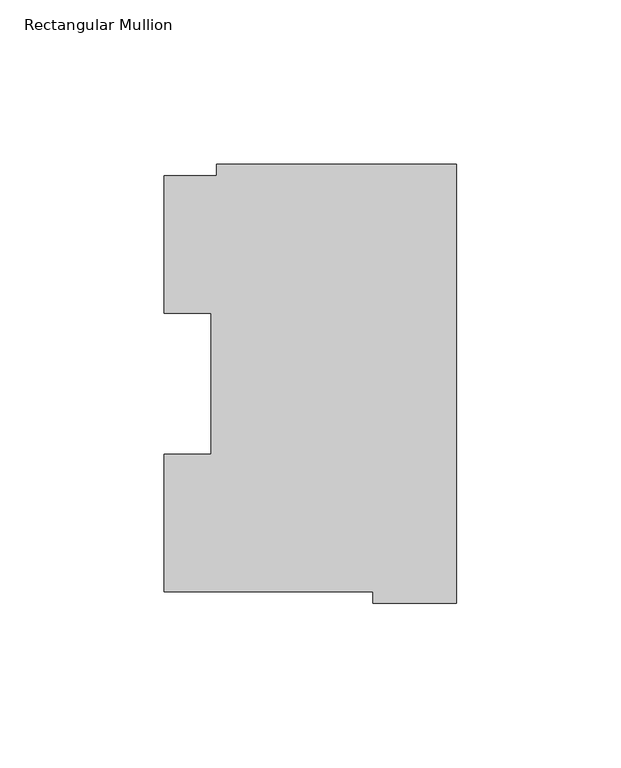
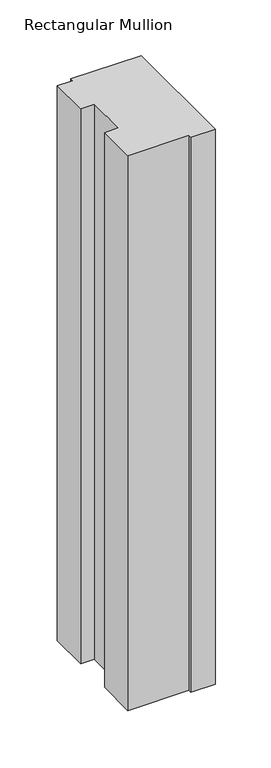
"""IFC4 building model written with IfcOpenShell, lengths in millimetres: member geometry, Rectangular Mullion."""

import ifcopenshell
import ifcopenshell.guid

model = None  # the IFC model being written
_history = None  # IfcOwnerHistory: only IFC2X3 demands one
_inside = {}  # id of a spatial element -> (the spatial element, [elements in it])
_under = {}  # id of a project, library or spatial element -> (it, [spatial elements below it])
_declared = {}  # id of a project -> (the project, [libraries it declares])
_typed = {}  # id of a type object -> (the type object, [elements of that type])
_made_of = {}  # id of a material, layer set ... -> (it, [elements and type objects made of it])


def new_model(schema):
    """Start an empty IFC model of exactly this schema.

    Asked for "IFC4X3", IfcOpenShell would pick the latest addendum, in which some entities
    have other attributes; the version numbers below select the first issue.
    IFC2X3 requires an IfcOwnerHistory on every rooted entity: one is made here for all.
    """
    global model, _history
    if schema == "IFC4X3":
        model = ifcopenshell.file(schema_version=(4, 3, 0, 0))
    else:
        model = ifcopenshell.file(schema=schema)
    _inside.clear()
    _under.clear()
    _declared.clear()
    _typed.clear()
    _made_of.clear()
    _history = None
    if model.schema == "IFC2X3":
        org = make("IfcOrganization", Name="unknown")
        user = make(
            "IfcPersonAndOrganization",
            ThePerson=make("IfcPerson", FamilyName="unknown"),
            TheOrganization=org,
        )
        app = make(
            "IfcApplication",
            ApplicationDeveloper=org,
            Version="unknown",
            ApplicationFullName="unknown",
            ApplicationIdentifier="unknown",
        )
        _history = make(
            "IfcOwnerHistory",
            OwningUser=user,
            OwningApplication=app,
            ChangeAction="ADDED",
            CreationDate=0,
        )
    return model


def make(cls, **values):
    """One entity of the class cls with the attributes given. An attribute that is None is left unset."""
    return model.create_entity(
        cls, **{name: value for name, value in values.items() if value is not None}
    )


def rooted(cls, **values):
    """An entity with a GlobalId (a new one), such as an element, a storey or a relation."""
    return make(cls, GlobalId=ifcopenshell.guid.new(), OwnerHistory=_history, **values)


def si_unit(unit_type, name, prefix=None):
    """IfcSIUnit, for example si_unit("LENGTHUNIT", "METRE", prefix="MILLI")."""
    return make("IfcSIUnit", UnitType=unit_type, Prefix=prefix, Name=name)


def assignment(units):
    """IfcUnitAssignment: the units of a project."""
    return None if units is None else make("IfcUnitAssignment", Units=units)


def point(xyz):
    """IfcCartesianPoint."""
    return None if xyz is None else make("IfcCartesianPoint", Coordinates=xyz)


def direction(xyz):
    """IfcDirection."""
    return None if xyz is None else make("IfcDirection", DirectionRatios=xyz)


def frame(location, z_axis=None, x_axis=None):
    """IfcAxis2Placement3D, a coordinate frame: its origin and axes. An axis left out is left unset."""
    return make(
        "IfcAxis2Placement3D",
        Location=point(location),
        Axis=direction(z_axis),
        RefDirection=direction(x_axis),
    )


def origin():
    """The frame at (0, 0, 0) with its axes left unset."""
    return frame((0.0, 0.0, 0.0))


def place(relative_to, where):
    """IfcLocalPlacement: puts the frame where relative to a parent placement (None: the world)."""
    return make(
        "IfcLocalPlacement", PlacementRelTo=relative_to, RelativePlacement=where
    )


def context(
    kind, dimensions, precision=None, world=None, true_north=None, identifier=None
):
    """IfcGeometricRepresentationContext, for example the 3D "Model" context."""
    return make(
        "IfcGeometricRepresentationContext",
        ContextIdentifier=identifier,
        ContextType=kind,
        CoordinateSpaceDimension=dimensions,
        Precision=precision,
        WorldCoordinateSystem=world,
        TrueNorth=true_north,
    )


def project(units=None, contexts=None):
    """IfcProject with its units and contexts."""
    return rooted(
        "IfcProject",
        Name="project",
        RepresentationContexts=contexts,
        UnitsInContext=assignment(units),
    )


def spatial(cls, under=None, at=None, **own):
    """A site, building, storey or space (cls), placed at a placement, below another one or the project."""
    s = rooted(cls, ObjectPlacement=at, **own)
    if under is not None:
        _under.setdefault(under.id(), (under, []))[1].append(s)
    return s


def polyline(points):
    """IfcPolyline through the points."""
    return make("IfcPolyline", Points=[point(p) for p in points])


def outline(outer, holes=None, kind="AREA"):
    """IfcArbitraryClosedProfileDef: a profile drawn as a closed curve; with holes, ...WithVoids."""
    if holes is None:
        return make("IfcArbitraryClosedProfileDef", ProfileType=kind, OuterCurve=outer)
    return make(
        "IfcArbitraryProfileDefWithVoids",
        ProfileType=kind,
        OuterCurve=outer,
        InnerCurves=holes,
    )


def extrude(swept, where, along, depth):
    """IfcExtrudedAreaSolid: the profile swept, set in the frame where, extruded along a direction by depth."""
    return make(
        "IfcExtrudedAreaSolid",
        SweptArea=swept,
        Position=where,
        ExtrudedDirection=direction(along),
        Depth=depth,
    )


def shape(context_of_items, identifier, shape_type, items):
    """IfcShapeRepresentation: the items that make up one representation, for example the "Body"."""
    return make(
        "IfcShapeRepresentation",
        ContextOfItems=context_of_items,
        RepresentationIdentifier=identifier,
        RepresentationType=shape_type,
        Items=items,
    )


def source(mapping_origin, context_of_items, identifier, shape_type, items):
    """IfcRepresentationMap: a shape defined once, which mapped items show again and again."""
    return make(
        "IfcRepresentationMap",
        MappingOrigin=mapping_origin,
        MappedRepresentation=shape(context_of_items, identifier, shape_type, items),
    )


def transform(
    local_origin,
    x_axis=None,
    y_axis=None,
    z_axis=None,
    scale=None,
    scale2=None,
    scale3=None,
    uniform=True,
):
    """IfcCartesianTransformationOperator3D, or its non-uniform kind. x_axis, y_axis, z_axis: its Axis1, 2, 3."""
    if uniform:
        return make(
            "IfcCartesianTransformationOperator3D",
            Axis1=direction(x_axis),
            Axis2=direction(y_axis),
            LocalOrigin=point(local_origin),
            Scale=scale,
            Axis3=direction(z_axis),
        )
    return make(
        "IfcCartesianTransformationOperator3DnonUniform",
        Axis1=direction(x_axis),
        Axis2=direction(y_axis),
        LocalOrigin=point(local_origin),
        Scale=scale,
        Axis3=direction(z_axis),
        Scale2=scale2,
        Scale3=scale3,
    )


def mapped(mapping_source, mapping_target):
    """IfcMappedItem: shows the shape of a source again, moved by a transform."""
    return make(
        "IfcMappedItem", MappingSource=mapping_source, MappingTarget=mapping_target
    )


def made_of(thing, what):
    """Note that an element or type object is made of a material, layer set ...; save() writes the relation."""
    if what is not None:
        _made_of.setdefault(what.id(), (what, []))[1].append(thing)
    return thing


def element(
    cls,
    number,
    at=None,
    inside=None,
    cuts=None,
    type_object=None,
    material=None,
    context=None,
    identifier="Body",
    shape_type=None,
    held_by="IfcProductDefinitionShape",
    body=None,
    shapes=None,
    **own,
):
    """One element of the class cls, such as IfcWall. Its Tag is "e" and its number.

    at: its placement. inside: the storey or other place that contains it. cuts: it is an
    opening in that element (IfcRelVoidsElement). A single representation is given by context,
    identifier, shape_type and body (its items); several are given by shapes. held_by: the class
    of the entity that holds the representations. save() writes the other relations.
    """
    e = rooted(cls, Tag="e%d" % number, ObjectPlacement=at, **own)
    if body is not None:
        shapes = [shape(context, identifier, shape_type, body)]
    if shapes is not None:
        e.Representation = make(held_by, Representations=shapes)
    if inside is not None:
        _inside.setdefault(inside.id(), (inside, []))[1].append(e)
    if cuts is not None:
        rooted(
            "IfcRelVoidsElement", RelatingBuildingElement=cuts, RelatedOpeningElement=e
        )
    if type_object is not None:
        _typed.setdefault(type_object.id(), (type_object, []))[1].append(e)
    return made_of(e, material)


def aggregate(whole, parts):
    """IfcRelAggregates: a whole, such as a stair, and the parts it consists of."""
    return rooted("IfcRelAggregates", RelatingObject=whole, RelatedObjects=parts)


def save(model, path):
    """Write the relations noted so far, then the file.

    IfcRelAggregates (storeys below a building ...), IfcRelContainedInSpatialStructure (elements
    in a storey), IfcRelDefinesByType, IfcRelAssociatesMaterial and IfcRelDeclares: one each for
    every whole, place, type object, material and project.
    """
    for whole, parts in _under.values():
        aggregate(whole, parts)
    for where, things in _inside.values():
        rooted(
            "IfcRelContainedInSpatialStructure",
            RelatedElements=things,
            RelatingStructure=where,
        )
    for kind, things in _typed.values():
        rooted("IfcRelDefinesByType", RelatedObjects=things, RelatingType=kind)
    for what, things in _made_of.values():
        rooted("IfcRelAssociatesMaterial", RelatedObjects=things, RelatingMaterial=what)
    for by, libraries in _declared.values():
        rooted("IfcRelDeclares", RelatingContext=by, RelatedDefinitions=libraries)
    model.write(path)


def rectangular_mullion_5badb3c5(model_context):
    return source(origin(), model_context, "Body", "SweptSolid", [
        extrude(outline(polyline([(-88.8772701, 126.75235), (-73.025, 126.75235), (-73.025, 130.1706837), (0.0, 130.1706837), (0.0, -3.193538), (-25.3772701, -3.193538), (-25.3772701, 0.26035), (-88.8772701, 0.26035), (-88.8772701, 42.0334858), (-74.5947228, 42.0334858), (-74.5947228, 84.93125), (-88.8772701, 84.93125), (-88.8772701, 126.75235)])), frame((0.0, 0.0, -609.6), z_axis=(0.0, 0.0, 1.0), x_axis=(1.0, 0.0, 0.0)), (0.0, 0.0, 1.0), 609.6),
    ])


if __name__ == "__main__":
    model = new_model("IFC4")
    model_context = context("Model", 3, world=origin())
    ifc_project = project(units=[si_unit("LENGTHUNIT", "METRE", prefix="MILLI")], contexts=[model_context])
    site = spatial("IfcSite", under=ifc_project)
    building = spatial("IfcBuilding", under=site)
    placement = place(None, origin())
    rectangular_mullion_shape = rectangular_mullion_5badb3c5(model_context)
    element("IfcMember", 1, ObjectType="Rectangular Mullion", at=placement, inside=building, context=model_context, shape_type="MappedRepresentation", body=[
        mapped(rectangular_mullion_shape, transform((0.0, 0.0, 0.0), x_axis=(1.0, 0.0, 0.0), y_axis=(0.0, 1.0, 0.0), z_axis=(0.0, 0.0, 1.0))),
    ])
    save(model, "model.ifc")
